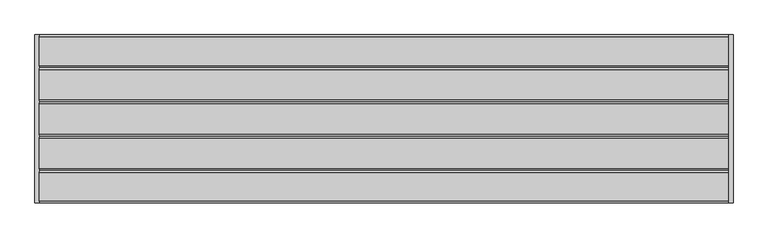
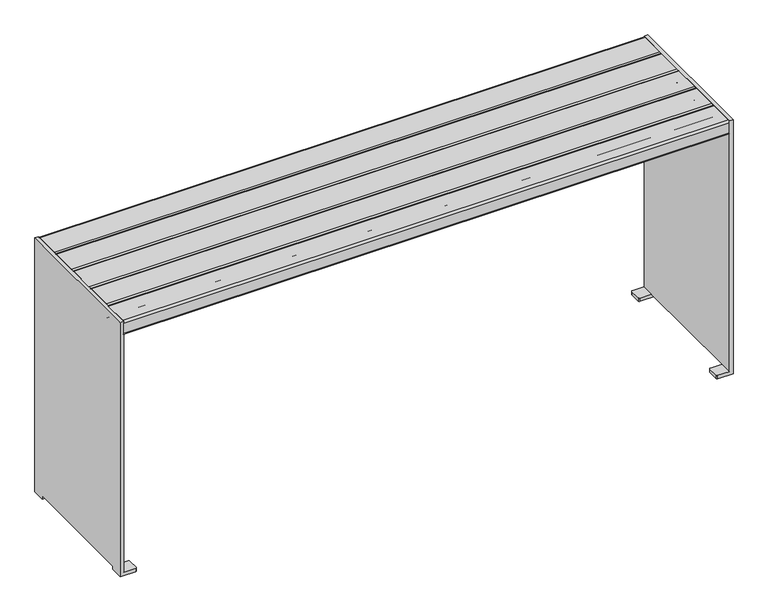
"""IFC4 building model written with IfcOpenShell, lengths in millimetres: furniture geometry."""

from ifc_helpers import new_model, si_unit, point, frame, frame_2d, origin, place, context, project, spatial, polyline, circle_curve, trimmed, segment, composite_curve, outline, extrude, source, transform, mapped, element, save
from ifc_brep_helpers import plane_surface, cylinder_surface, advanced_brep


def furniture_13792b49(model_context):
    return source(origin(), model_context, "Body", "SolidModel", [
        advanced_brep(
        [(801.5, 203.5, 10.0), (799.0, 201.0, 10.0), (799.0, 171.0, 10.0), (801.5, 168.5, 10.0), (834.0, 168.5, 10.0), (834.0, 203.5, 10.0), (844.0, 168.5, 0.0), (801.5, 168.5, 0.0), (799.0, 171.0, 0.0), (799.0, 201.0, 0.0), (801.5, 203.5, 0.0), (844.0, 203.5, 0.0), (844.0, 203.5, 740.0), (844.0, -203.5, 740.0), (844.0, -203.5, 0.0), (844.0, -168.5, 0.0), (844.0, -168.5, 10.0), (844.0, 168.5, 10.0), (834.0, 203.5, 740.0), (834.0, -168.5, 10.0), (834.0, -203.5, 10.0), (834.0, -203.5, 740.0), (801.5, -203.5, 10.0), (801.5, -203.5, 0.0), (801.5, -168.5, 10.0), (799.0, -171.0, 10.0), (799.0, -201.0, 10.0), (799.0, -201.0, 0.0), (799.0, -171.0, 0.0), (801.5, -168.5, 0.0)],
        [
            (0, 1, circle_curve(frame((801.5, 201.0, 10.0), z_axis=(0.0, 0.0, 1.0), x_axis=(0.0, 1.0, 0.0)), 2.5)),
            (1, 2),
            (2, 3, circle_curve(frame((801.5, 171.0, 10.0), z_axis=(0.0, 0.0, 1.0), x_axis=(-1.0, 0.0, 0.0)), 2.5)),
            (3, 4),
            (4, 5),
            (5, 0),
            (6, 7),
            (7, 8, circle_curve(frame((801.5, 171.0, 0.0), z_axis=(0.0, 0.0, -1.0), x_axis=(-1.0, 0.0, 0.0)), 2.5)),
            (8, 9),
            (9, 10, circle_curve(frame((801.5, 201.0, 0.0), z_axis=(0.0, 0.0, -1.0), x_axis=(0.0, 1.0, 0.0)), 2.5)),
            (10, 11),
            (11, 6),
            (11, 12),
            (12, 13),
            (13, 14),
            (14, 15),
            (15, 16),
            (16, 17),
            (17, 6),
            (10, 0),
            (5, 18),
            (18, 12),
            (9, 1),
            (8, 2),
            (7, 3),
            (17, 4),
            (4, 19),
            (19, 20),
            (20, 21),
            (21, 18),
            (21, 13),
            (20, 22),
            (22, 23),
            (23, 14),
            (16, 19),
            (24, 25, circle_curve(frame((801.5, -171.0, 10.0), z_axis=(0.0, 0.0, 1.0), x_axis=(-1.0, 0.0, 0.0)), 2.5)),
            (25, 26),
            (26, 22, circle_curve(frame((801.5, -201.0, 10.0), z_axis=(0.0, 0.0, 1.0), x_axis=(0.0, -1.0, 0.0)), 2.5)),
            (19, 24),
            (23, 27, circle_curve(frame((801.5, -201.0, 0.0), z_axis=(0.0, 0.0, -1.0), x_axis=(0.0, -1.0, 0.0)), 2.5)),
            (27, 28),
            (28, 29, circle_curve(frame((801.5, -171.0, 0.0), z_axis=(0.0, 0.0, -1.0), x_axis=(-1.0, 0.0, 0.0)), 2.5)),
            (29, 15),
            (26, 27),
            (25, 28),
            (24, 29),
        ],
        [
            plane_surface(frame((844.0, 168.5, 10.0), z_axis=(0.0, 0.0, 1.0), x_axis=(0.0, 1.0, 0.0))),
            plane_surface(frame((844.0, 168.5, 0.0), z_axis=(0.0, 0.0, -1.0), x_axis=(0.0, -1.0, 0.0))),
            plane_surface(frame((844.0, 168.5, 10.0), z_axis=(1.0, 0.0, 0.0), x_axis=(0.0, 0.0, -1.0))),
            plane_surface(frame((844.0, 203.5, 10.0), z_axis=(0.0, 1.0, 0.0), x_axis=(0.0, 0.0, -1.0))),
            cylinder_surface(frame((801.5, 201.0, 0.0), z_axis=(0.0, 0.0, 1.0), x_axis=(0.0, 1.0, 0.0)), 2.5),
            plane_surface(frame((799.0, 201.0, 10.0), z_axis=(-1.0, 0.0, 0.0), x_axis=(0.0, 0.0, -1.0))),
            cylinder_surface(frame((801.5, 171.0, 0.0), z_axis=(0.0, 0.0, 1.0), x_axis=(-1.0, 0.0, 0.0)), 2.5),
            plane_surface(frame((801.5, 168.5, 10.0), z_axis=(0.0, -1.0, 0.0), x_axis=(0.0, 0.0, -1.0))),
            plane_surface(frame((834.0, 203.5, 10.0), z_axis=(-1.0, 0.0, 0.0), x_axis=(0.0, -1.0, 0.0))),
            plane_surface(frame((834.0, -203.5, 740.0), z_axis=(0.0, 0.0, 1.0), x_axis=(1.0, 0.0, 0.0))),
            plane_surface(frame((834.0, -203.5, 10.0), z_axis=(0.0, -1.0, 0.0), x_axis=(1.0, 0.0, 0.0))),
            plane_surface(frame((834.0, 168.5, 10.0), z_axis=(0.0, 0.0, -1.0), x_axis=(1.0, 0.0, 0.0))),
            plane_surface(frame((801.5, -168.5, 10.0), z_axis=(0.0, 0.0, 1.0), x_axis=(-1.0, 0.0, 0.0))),
            plane_surface(frame((801.5, -168.5, 0.0), z_axis=(0.0, 0.0, -1.0), x_axis=(1.0, 0.0, 0.0))),
            cylinder_surface(frame((801.5, -201.0, 0.0), z_axis=(0.0, 0.0, 1.0), x_axis=(0.0, -1.0, 0.0)), 2.5),
            plane_surface(frame((799.0, -171.0, 10.0), z_axis=(-1.0, 0.0, 0.0), x_axis=(0.0, 0.0, -1.0))),
            cylinder_surface(frame((801.5, -171.0, 0.0), z_axis=(0.0, 0.0, 1.0), x_axis=(-1.0, 0.0, 0.0)), 2.5),
            plane_surface(frame((844.0, -168.5, 10.0), z_axis=(0.0, 1.0, 0.0), x_axis=(0.0, 0.0, -1.0))),
        ],
        [
            (0, [[1, 2, 3, 4, 5, 6]]),
            (1, [[7, 8, 9, 10, 11, 12]]),
            (2, [[-12, 13, 14, 15, 16, 17, 18, 19]]),
            (3, [[-11, 20, -6, 21, 22, -13]]),
            (4, [[-1, -20, -10, 23]]),
            (5, [[-2, -23, -9, 24]]),
            (6, [[-3, -24, -8, 25]]),
            (7, [[-7, -19, 26, -4, -25]]),
            (8, [[27, 28, 29, 30, -21, -5]]),
            (9, [[-30, 31, -14, -22]]),
            (10, [[-29, 32, 33, 34, -15, -31]]),
            (11, [[-27, -26, -18, 35]]),
            (12, [[36, 37, 38, -32, -28, 39]]),
            (13, [[-16, -34, 40, 41, 42, 43]]),
            (14, [[-38, 44, -40, -33]]),
            (15, [[-37, 45, -41, -44]]),
            (16, [[-36, 46, -42, -45]]),
            (17, [[-43, -46, -39, -35, -17]]),
        ],
    ),
        extrude(outline(composite_curve([segment(trimmed(circle_curve(frame_2d((129.3427307, 705.0)), 5.0), [point((129.3427307, 700.0))], [point((124.3427307, 705.0))], False, "CARTESIAN"), True, "CONTINUOUS"), segment(polyline([(124.3427307, 705.0), (124.3427307, 735.0)]), True, "CONTINUOUS"), segment(trimmed(circle_curve(frame_2d((129.3427307, 735.0)), 5.0), [point((124.3427307, 735.0))], [point((129.3427307, 740.0))], False, "CARTESIAN"), True, "CONTINUOUS"), segment(polyline([(129.3427307, 740.0), (198.5, 740.0)]), True, "CONTINUOUS"), segment(trimmed(circle_curve(frame_2d((198.5, 735.0)), 5.0), [point((198.5, 740.0))], [point((203.5, 735.0))], False, "CARTESIAN"), True, "CONTINUOUS"), segment(polyline([(203.5, 735.0), (203.5, 705.0)]), True, "CONTINUOUS"), segment(trimmed(circle_curve(frame_2d((198.5, 705.0)), 5.0), [point((203.5, 705.0))], [point((198.5, 700.0))], False, "CARTESIAN"), True, "CONTINUOUS"), segment(polyline([(198.5, 700.0), (129.3427307, 700.0)]), True, "CONTINUOUS")], self_intersect=False)), frame((-834.0, 0.0, 0.0), z_axis=(1.0, 0.0, 0.0), x_axis=(0.0, 1.0, 0.0)), (0.0, 0.0, 1.0), 1668.0),
        extrude(outline(composite_curve([segment(trimmed(circle_curve(frame_2d((46.4710607, 705.0)), 5.0), [point((46.4710607, 700.0))], [point((41.4710607, 705.0))], False, "CARTESIAN"), True, "CONTINUOUS"), segment(polyline([(41.4710607, 705.0), (41.4710607, 735.0)]), True, "CONTINUOUS"), segment(trimmed(circle_curve(frame_2d((46.4710607, 735.0)), 5.0), [point((41.4710607, 735.0))], [point((46.4710607, 740.0))], False, "CARTESIAN"), True, "CONTINUOUS"), segment(polyline([(46.4710607, 740.0), (119.3427307, 740.0)]), True, "CONTINUOUS"), segment(trimmed(circle_curve(frame_2d((119.3427307, 735.0)), 5.0), [point((119.3427307, 740.0))], [point((124.3427307, 735.0))], False, "CARTESIAN"), True, "CONTINUOUS"), segment(polyline([(124.3427307, 735.0), (124.3427307, 705.0)]), True, "CONTINUOUS"), segment(trimmed(circle_curve(frame_2d((119.3427307, 705.0)), 5.0), [point((124.3427307, 705.0))], [point((119.3427307, 700.0))], False, "CARTESIAN"), True, "CONTINUOUS"), segment(polyline([(119.3427307, 700.0), (46.4710607, 700.0)]), True, "CONTINUOUS")], self_intersect=False)), frame((-834.0, 0.0, 0.0), z_axis=(1.0, 0.0, 0.0), x_axis=(0.0, 1.0, 0.0)), (0.0, 0.0, 1.0), 1668.0),
        extrude(outline(composite_curve([segment(trimmed(circle_curve(frame_2d((-36.8709366, 705.0)), 5.0), [point((-36.8709366, 700.0))], [point((-41.8709366, 705.0))], False, "CARTESIAN"), True, "CONTINUOUS"), segment(polyline([(-41.8709366, 705.0), (-41.8709366, 735.0)]), True, "CONTINUOUS"), segment(trimmed(circle_curve(frame_2d((-36.8709366, 735.0)), 5.0), [point((-41.8709366, 735.0))], [point((-36.8709366, 740.0))], False, "CARTESIAN"), True, "CONTINUOUS"), segment(polyline([(-36.8709366, 740.0), (36.4710607, 740.0)]), True, "CONTINUOUS"), segment(trimmed(circle_curve(frame_2d((36.4710607, 735.0)), 5.0), [point((36.4710607, 740.0))], [point((41.4710607, 735.0))], False, "CARTESIAN"), True, "CONTINUOUS"), segment(polyline([(41.4710607, 735.0), (41.4710607, 705.0)]), True, "CONTINUOUS"), segment(trimmed(circle_curve(frame_2d((36.4710607, 705.0)), 5.0), [point((41.4710607, 705.0))], [point((36.4710607, 700.0))], False, "CARTESIAN"), True, "CONTINUOUS"), segment(polyline([(36.4710607, 700.0), (-36.8709366, 700.0)]), True, "CONTINUOUS")], self_intersect=False)), frame((-834.0, 0.0, 0.0), z_axis=(1.0, 0.0, 0.0), x_axis=(0.0, 1.0, 0.0)), (0.0, 0.0, 1.0), 1668.0),
        extrude(outline(composite_curve([segment(trimmed(circle_curve(frame_2d((-119.7426065, 705.0)), 5.0), [point((-119.7426065, 700.0))], [point((-124.7426065, 705.0))], False, "CARTESIAN"), True, "CONTINUOUS"), segment(polyline([(-124.7426065, 705.0), (-124.7426065, 735.0)]), True, "CONTINUOUS"), segment(trimmed(circle_curve(frame_2d((-119.7426065, 735.0)), 5.0), [point((-124.7426065, 735.0))], [point((-119.7426065, 740.0))], False, "CARTESIAN"), True, "CONTINUOUS"), segment(polyline([(-119.7426065, 740.0), (-46.8709366, 740.0)]), True, "CONTINUOUS"), segment(trimmed(circle_curve(frame_2d((-46.8709366, 735.0)), 5.0), [point((-46.8709366, 740.0))], [point((-41.8709366, 735.0))], False, "CARTESIAN"), True, "CONTINUOUS"), segment(polyline([(-41.8709366, 735.0), (-41.8709366, 705.0)]), True, "CONTINUOUS"), segment(trimmed(circle_curve(frame_2d((-46.8709366, 705.0)), 5.0), [point((-41.8709366, 705.0))], [point((-46.8709366, 700.0))], False, "CARTESIAN"), True, "CONTINUOUS"), segment(polyline([(-46.8709366, 700.0), (-119.7426065, 700.0)]), True, "CONTINUOUS")], self_intersect=False)), frame((-834.0, 0.0, 0.0), z_axis=(1.0, 0.0, 0.0), x_axis=(0.0, 1.0, 0.0)), (0.0, 0.0, 1.0), 1668.0),
        extrude(outline(composite_curve([segment(trimmed(circle_curve(frame_2d((-198.5, 705.0)), 5.0), [point((-198.5, 700.0))], [point((-203.5, 705.0))], False, "CARTESIAN"), True, "CONTINUOUS"), segment(polyline([(-203.5, 705.0), (-203.5, 735.0)]), True, "CONTINUOUS"), segment(trimmed(circle_curve(frame_2d((-198.5, 735.0)), 5.0), [point((-203.5, 735.0))], [point((-198.5, 740.0))], False, "CARTESIAN"), True, "CONTINUOUS"), segment(polyline([(-198.5, 740.0), (-129.7426065, 740.0)]), True, "CONTINUOUS"), segment(trimmed(circle_curve(frame_2d((-129.7426065, 735.0)), 5.0), [point((-129.7426065, 740.0))], [point((-124.7426065, 735.0))], False, "CARTESIAN"), True, "CONTINUOUS"), segment(polyline([(-124.7426065, 735.0), (-124.7426065, 705.0)]), True, "CONTINUOUS"), segment(trimmed(circle_curve(frame_2d((-129.7426065, 705.0)), 5.0), [point((-124.7426065, 705.0))], [point((-129.7426065, 700.0))], False, "CARTESIAN"), True, "CONTINUOUS"), segment(polyline([(-129.7426065, 700.0), (-198.5, 700.0)]), True, "CONTINUOUS")], self_intersect=False)), frame((-834.0, 0.0, 0.0), z_axis=(1.0, 0.0, 0.0), x_axis=(0.0, 1.0, 0.0)), (0.0, 0.0, 1.0), 1668.0),
        extrude(outline(polyline([(-834.0, 120.5), (834.0, 120.5), (834.0, 110.5), (-834.0, 110.5), (-834.0, 120.5)])), frame((0.0, 0.0, 650.0), z_axis=(0.0, 0.0, 1.0), x_axis=(1.0, 0.0, 0.0)), (0.0, 0.0, 1.0), 50.0),
        extrude(outline(polyline([(834.0, -120.5), (-834.0, -120.5), (-834.0, -110.5), (834.0, -110.5), (834.0, -120.5)])), frame((0.0, 0.0, 650.0), z_axis=(0.0, 0.0, 1.0), x_axis=(1.0, 0.0, 0.0)), (0.0, 0.0, 1.0), 50.0),
        advanced_brep(
        [(-801.5, -203.5, 10.0), (-799.0, -201.0, 10.0), (-799.0, -171.0, 10.0), (-801.5, -168.5, 10.0), (-834.0, -168.5, 10.0), (-834.0, -203.5, 10.0), (-844.0, -168.5, 0.0), (-801.5, -168.5, 0.0), (-799.0, -171.0, 0.0), (-799.0, -201.0, 0.0), (-801.5, -203.5, 0.0), (-844.0, -203.5, 0.0), (-844.0, -203.5, 740.0), (-844.0, 203.5, 740.0), (-844.0, 203.5, 0.0), (-844.0, 168.5, 0.0), (-844.0, 168.5, 10.0), (-844.0, -168.5, 10.0), (-834.0, -203.5, 740.0), (-834.0, 203.5, 10.0), (-834.0, 203.5, 740.0), (-834.0, 168.5, 10.0), (-801.5, 203.5, 10.0), (-801.5, 203.5, 0.0), (-801.5, 168.5, 10.0), (-799.0, 171.0, 10.0), (-799.0, 201.0, 10.0), (-799.0, 201.0, 0.0), (-799.0, 171.0, 0.0), (-801.5, 168.5, 0.0)],
        [
            (0, 1, circle_curve(frame((-801.5, -201.0, 10.0), z_axis=(0.0, 0.0, 1.0), x_axis=(0.0, -1.0, 0.0)), 2.5)),
            (1, 2),
            (2, 3, circle_curve(frame((-801.5, -171.0, 10.0), z_axis=(0.0, 0.0, 1.0), x_axis=(1.0, 0.0, 0.0)), 2.5)),
            (3, 4),
            (4, 5),
            (5, 0),
            (6, 7),
            (7, 8, circle_curve(frame((-801.5, -171.0, 0.0), z_axis=(0.0, 0.0, -1.0), x_axis=(1.0, 0.0, 0.0)), 2.5)),
            (8, 9),
            (9, 10, circle_curve(frame((-801.5, -201.0, 0.0), z_axis=(0.0, 0.0, -1.0), x_axis=(0.0, -1.0, 0.0)), 2.5)),
            (10, 11),
            (11, 6),
            (11, 12),
            (12, 13),
            (13, 14),
            (14, 15),
            (15, 16),
            (16, 17),
            (17, 6),
            (10, 0),
            (5, 18),
            (18, 12),
            (9, 1),
            (8, 2),
            (7, 3),
            (17, 4),
            (19, 20),
            (20, 18),
            (4, 21),
            (21, 19),
            (19, 22),
            (22, 23),
            (23, 14),
            (13, 20),
            (16, 21),
            (24, 25, circle_curve(frame((-801.5, 171.0, 10.0), z_axis=(0.0, 0.0, 1.0), x_axis=(1.0, 0.0, 0.0)), 2.5)),
            (25, 26),
            (26, 22, circle_curve(frame((-801.5, 201.0, 10.0), z_axis=(0.0, 0.0, 1.0), x_axis=(0.0, 1.0, 0.0)), 2.5)),
            (21, 24),
            (23, 27, circle_curve(frame((-801.5, 201.0, 0.0), z_axis=(0.0, 0.0, -1.0), x_axis=(0.0, 1.0, 0.0)), 2.5)),
            (27, 28),
            (28, 29, circle_curve(frame((-801.5, 171.0, 0.0), z_axis=(0.0, 0.0, -1.0), x_axis=(1.0, 0.0, 0.0)), 2.5)),
            (29, 15),
            (26, 27),
            (25, 28),
            (24, 29),
        ],
        [
            plane_surface(frame((-844.0, -168.5, 10.0), z_axis=(0.0, 0.0, 1.0), x_axis=(0.0, -1.0, 0.0))),
            plane_surface(frame((-844.0, -168.5, 0.0), z_axis=(0.0, 0.0, -1.0), x_axis=(0.0, 1.0, 0.0))),
            plane_surface(frame((-844.0, -168.5, 10.0), z_axis=(-1.0, 0.0, 0.0), x_axis=(0.0, 0.0, -1.0))),
            plane_surface(frame((-844.0, -203.5, 10.0), z_axis=(0.0, -1.0, 0.0), x_axis=(0.0, 0.0, -1.0))),
            cylinder_surface(frame((-801.5, -201.0, 0.0), z_axis=(0.0, 0.0, 1.0), x_axis=(0.0, -1.0, 0.0)), 2.5),
            plane_surface(frame((-799.0, -201.0, 10.0), z_axis=(1.0, 0.0, 0.0), x_axis=(0.0, 0.0, -1.0))),
            cylinder_surface(frame((-801.5, -171.0, 0.0), z_axis=(0.0, 0.0, 1.0), x_axis=(1.0, 0.0, 0.0)), 2.5),
            plane_surface(frame((-801.5, -168.5, 10.0), z_axis=(0.0, 1.0, 0.0), x_axis=(0.0, 0.0, -1.0))),
            plane_surface(frame((-834.0, 203.5, 10.0), z_axis=(1.0, 0.0, 0.0), x_axis=(0.0, 0.0, 1.0))),
            plane_surface(frame((-834.0, 203.5, 10.0), z_axis=(0.0, 1.0, 0.0), x_axis=(-1.0, 0.0, 0.0))),
            plane_surface(frame((-834.0, 203.5, 740.0), z_axis=(0.0, 0.0, 1.0), x_axis=(-1.0, 0.0, 0.0))),
            plane_surface(frame((-834.0, -168.5, 10.0), z_axis=(0.0, 0.0, -1.0), x_axis=(-1.0, 0.0, 0.0))),
            plane_surface(frame((-801.5, 168.5, 10.0), z_axis=(0.0, 0.0, 1.0), x_axis=(1.0, 0.0, 0.0))),
            plane_surface(frame((-801.5, 168.5, 0.0), z_axis=(0.0, 0.0, -1.0), x_axis=(-1.0, 0.0, 0.0))),
            cylinder_surface(frame((-801.5, 201.0, 0.0), z_axis=(0.0, 0.0, 1.0), x_axis=(0.0, 1.0, 0.0)), 2.5),
            plane_surface(frame((-799.0, 171.0, 10.0), z_axis=(1.0, 0.0, 0.0), x_axis=(0.0, 0.0, -1.0))),
            cylinder_surface(frame((-801.5, 171.0, 0.0), z_axis=(0.0, 0.0, 1.0), x_axis=(1.0, 0.0, 0.0)), 2.5),
            plane_surface(frame((-844.0, 168.5, 10.0), z_axis=(0.0, -1.0, 0.0), x_axis=(0.0, 0.0, -1.0))),
        ],
        [
            (0, [[1, 2, 3, 4, 5, 6]]),
            (1, [[7, 8, 9, 10, 11, 12]]),
            (2, [[-12, 13, 14, 15, 16, 17, 18, 19]]),
            (3, [[-11, 20, -6, 21, 22, -13]]),
            (4, [[-1, -20, -10, 23]]),
            (5, [[-2, -23, -9, 24]]),
            (6, [[-3, -24, -8, 25]]),
            (7, [[-7, -19, 26, -4, -25]]),
            (8, [[27, 28, -21, -5, 29, 30]]),
            (9, [[-27, 31, 32, 33, -15, 34]]),
            (10, [[-28, -34, -14, -22]]),
            (11, [[-29, -26, -18, 35]]),
            (12, [[36, 37, 38, -31, -30, 39]]),
            (13, [[-16, -33, 40, 41, 42, 43]]),
            (14, [[-38, 44, -40, -32]]),
            (15, [[-37, 45, -41, -44]]),
            (16, [[-36, 46, -42, -45]]),
            (17, [[-43, -46, -39, -35, -17]]),
        ],
    ),
    ])


if __name__ == "__main__":
    model = new_model("IFC4")
    model_context = context("Model", 3, world=origin())
    ifc_project = project(units=[si_unit("LENGTHUNIT", "METRE", prefix="MILLI")], contexts=[model_context])
    site = spatial("IfcSite", under=ifc_project)
    building = spatial("IfcBuilding", under=site)
    placement = place(None, origin())
    furniture_shape = furniture_13792b49(model_context)
    element("IfcFurniture", 1, at=placement, inside=building, context=model_context, shape_type="MappedRepresentation", body=[
        mapped(furniture_shape, transform((0.0, 0.0, 0.0), x_axis=(1.0, 0.0, 0.0), y_axis=(0.0, 1.0, 0.0), z_axis=(0.0, 0.0, 1.0))),
    ])
    save(model, "model.ifc")
